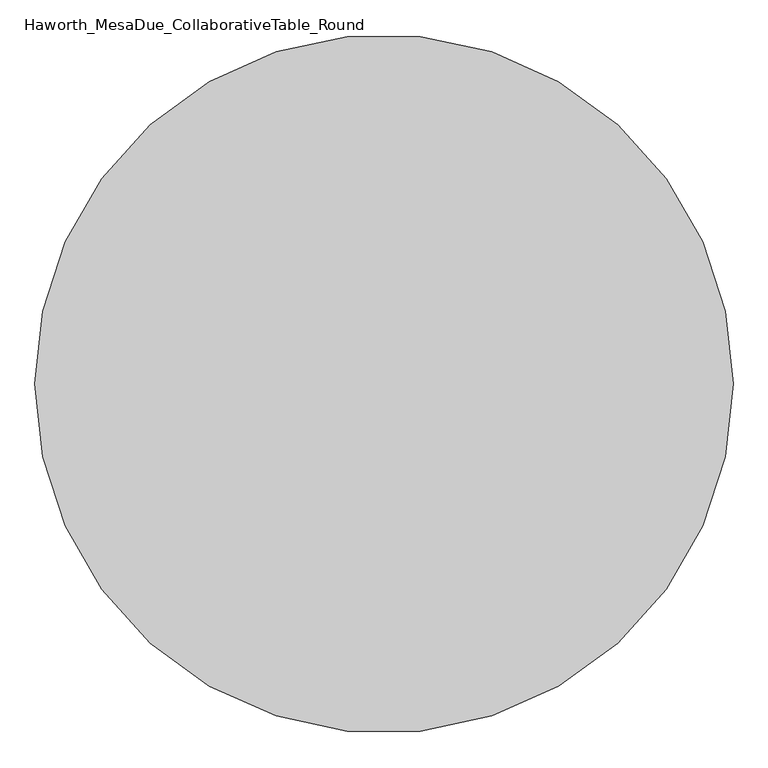
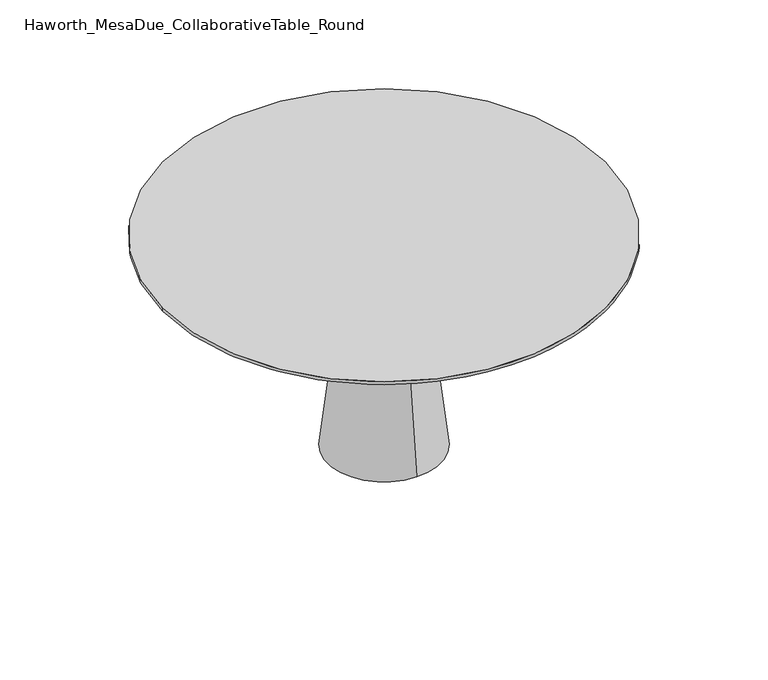
"""IFC4 building model written with IfcOpenShell, lengths in millimetres: furniture geometry, Haworth_MesaDue_CollaborativeTable_Round."""

from ifc_helpers import new_model, si_unit, point, frame, frame_2d, origin, place, context, project, spatial, polyline, circle_curve, trimmed, segment, composite_curve, outline, extrude, source, transform, mapped, element, save
from ifc_brep_helpers import plane_surface, cylinder_surface, revolved_surface, advanced_brep


def haworth_mesadue_collaborativetable_round_caa0e39f(model_context):
    return source(origin(), model_context, "Body", "SolidModel", [
        extrude(outline(composite_curve([segment(polyline([(-271.058137, 225.7246829), (-134.902877, 132.3450536)]), True, "CONTINUOUS"), segment(trimmed(circle_curve(frame_2d((31.9985507, 375.7012058)), 295.0903309), [point((-134.902877, 132.3450536))], [point((159.3004468, 109.4822534))], True, "CARTESIAN"), True, "CONTINUOUS"), segment(polyline([(159.3004468, 109.4822534), (304.3691364, 178.8519173)]), True, "CONTINUOUS"), segment(trimmed(circle_curve(frame_2d((316.0449699, 145.7225177)), 35.1266595), [point((304.3691364, 178.8519173))], [point((334.5024092, 115.8359799))], False, "CARTESIAN"), True, "CONTINUOUS"), segment(polyline([(334.5024092, 115.8359799), (183.3886311, 61.154492)]), True, "CONTINUOUS"), segment(trimmed(circle_curve(frame_2d((311.6854551, -195.3371747)), 286.7892085), [point((183.3886311, 61.154492))], [point((32.7243566, -128.788278))], True, "CARTESIAN"), True, "CONTINUOUS"), segment(polyline([(32.7243566, -128.788278), (14.7777346, -359.7291864)]), True, "CONTINUOUS"), segment(trimmed(circle_curve(frame_2d((-24.0397356, -352.8713492)), 39.4185987), [point((14.7777346, -359.7291864))], [point((-63.4465739, -353.8341677))], False, "CARTESIAN"), True, "CONTINUOUS"), segment(polyline([(-63.4465739, -353.8341677), (-50.6527711, -189.0467564)]), True, "CONTINUOUS"), segment(trimmed(circle_curve(frame_2d((-344.920142, -166.1789791)), 295.1545711), [point((-50.6527711, -189.0467564))], [point((-174.4096432, 74.7409051))], True, "CARTESIAN"), True, "CONTINUOUS"), segment(polyline([(-174.4096432, 74.7409051), (-310.5649032, 168.1205344)]), True, "CONTINUOUS"), segment(trimmed(circle_curve(frame_2d((-287.7119183, 194.7968026)), 35.1266595), [point((-310.5649032, 168.1205344))], [point((-271.058137, 225.7246829))], False, "CARTESIAN"), True, "CONTINUOUS")], self_intersect=False)), frame((0.0, 0.0, 698.5), z_axis=(0.0, 0.0, 1.0), x_axis=(1.0, 0.0, 0.0)), (0.0, 0.0, 1.0), 19.05),
        advanced_brep(
        [(-103.785033, -4.0299408, 566.7753624), (103.785033, -4.0299408, 566.7753624), (104.9851009, -4.0299408, 565.7683859), (-104.9851009, -4.0299408, 565.7683859), (-70.0022257, -4.0299408, 566.7753624), (70.0022257, -4.0299408, 566.7753624), (-70.0022257, -4.0299408, 698.5), (70.0022257, -4.0299408, 698.5), (0.0, -4.0299408, 698.5), (-104.9851009, -4.0299408, 552.0171809), (104.9851009, -4.0299408, 552.0171809), (0.0, -4.0299408, 552.0171809)],
        [
            (0, 1, circle_curve(frame((0.0, -4.0299408, 566.7753624), z_axis=(0.0, 0.0, -1.0), x_axis=(1.0, 0.0, 0.0)), 103.785033)),
            (1, 2),
            (2, 3, circle_curve(frame((0.0, -4.0299408, 565.7683859), z_axis=(0.0, 0.0, 1.0), x_axis=(1.0, 0.0, 0.0)), 104.9851009)),
            (3, 0),
            (1, 0, circle_curve(frame((0.0, -4.0299408, 566.7753624), z_axis=(0.0, 0.0, -1.0), x_axis=(1.0, 0.0, 0.0)), 103.785033)),
            (3, 2, circle_curve(frame((0.0, -4.0299408, 565.7683859), z_axis=(0.0, 0.0, 1.0), x_axis=(1.0, 0.0, 0.0)), 104.9851009)),
            (4, 5, circle_curve(frame((0.0, -4.0299408, 566.7753624), z_axis=(0.0, 0.0, -1.0), x_axis=(1.0, 0.0, 0.0)), 70.0022257)),
            (5, 1),
            (0, 4),
            (5, 4, circle_curve(frame((0.0, -4.0299408, 566.7753624), z_axis=(0.0, 0.0, -1.0), x_axis=(1.0, 0.0, 0.0)), 70.0022257)),
            (6, 7, circle_curve(frame((0.0, -4.0299408, 698.5), z_axis=(0.0, 0.0, -1.0), x_axis=(1.0, 0.0, 0.0)), 70.0022257)),
            (7, 5),
            (4, 6),
            (7, 6, circle_curve(frame((0.0, -4.0299408, 698.5), z_axis=(0.0, 0.0, -1.0), x_axis=(1.0, 0.0, 0.0)), 70.0022257)),
            (8, 7),
            (6, 8),
            (9, 10, circle_curve(frame((0.0, -4.0299408, 552.0171809), z_axis=(0.0, 0.0, -1.0), x_axis=(1.0, 0.0, 0.0)), 104.9851009)),
            (10, 11),
            (11, 9),
            (10, 9, circle_curve(frame((0.0, -4.0299408, 552.0171809), z_axis=(0.0, 0.0, -1.0), x_axis=(1.0, 0.0, 0.0)), 104.9851009)),
            (2, 10),
            (9, 3),
        ],
        [
            revolved_surface(polyline([(104.9851009, -4.0299408, 565.7683859), (103.785033, -4.0299408, 566.7753624)]), (0.0, -4.0299408, 698.7581749), (0.0, 0.0, 1.0)),
            plane_surface(frame((0.0, -4.0299408, 566.7753624), z_axis=(0.0, 0.0, 1.0), x_axis=(1.0, 0.0, 0.0))),
            cylinder_surface(frame((0.0, -4.0299408, 698.7581749), z_axis=(0.0, 0.0, 1.0), x_axis=(1.0, 0.0, 0.0)), 70.0022257),
            plane_surface(frame((0.0, -4.0299408, 698.5), z_axis=(0.0, 0.0, 1.0), x_axis=(1.0, 0.0, 0.0))),
            plane_surface(frame((0.0, -4.0299408, 552.0171809), z_axis=(0.0, 0.0, -1.0), x_axis=(1.0, 0.0, 0.0))),
            cylinder_surface(frame((0.0, -4.0299408, 698.7581749), z_axis=(0.0, 0.0, 1.0), x_axis=(1.0, 0.0, 0.0)), 104.9851009),
        ],
        [
            (0, [[1, 2, 3, 4]]),
            (0, [[5, -4, 6, -2]]),
            (1, [[7, 8, -1, 9]]),
            (1, [[10, -9, -5, -8]]),
            (2, [[11, 12, -7, 13]]),
            (2, [[14, -13, -10, -12]]),
            (3, [[15, -11, 16]]),
            (3, [[-16, -14, -15]]),
            (4, [[17, 18, 19]]),
            (4, [[20, -19, -18]]),
            (5, [[-3, 21, -17, 22]]),
            (5, [[-6, -22, -20, -21]]),
        ],
    ),
        advanced_brep(
        [(0.0, -4.0299408, 552.0171809), (0.0, 122.5690456, 552.0171809), (0.0, -130.6289271, 552.0171809), (0.0, -195.8551875, 0.0), (0.0, 187.795306, 0.0), (0.0, -4.0299408, 0.0)],
        [
            (0, 1),
            (1, 2, circle_curve(frame((0.0, -4.0299408, 552.0171809), z_axis=(0.0, 0.0, 1.0), x_axis=(0.0, 1.0, 0.0)), 126.5989864)),
            (2, 0),
            (2, 1, circle_curve(frame((0.0, -4.0299408, 552.0171809), z_axis=(0.0, 0.0, 1.0), x_axis=(0.0, 1.0, 0.0)), 126.5989864)),
            (3, 4, circle_curve(frame((0.0, -4.0299408, 0.0), z_axis=(0.0, 0.0, -1.0), x_axis=(0.0, 1.0, 0.0)), 191.8252468)),
            (4, 5),
            (5, 3),
            (4, 3, circle_curve(frame((0.0, -4.0299408, 0.0), z_axis=(0.0, 0.0, -1.0), x_axis=(0.0, 1.0, 0.0)), 191.8252468)),
            (1, 4),
            (3, 2),
        ],
        [
            plane_surface(frame((0.0, -4.0299408, 552.0171809), z_axis=(0.0, 0.0, 1.0), x_axis=(0.0, 1.0, 0.0))),
            plane_surface(frame((0.0, -4.0299408, 0.0), z_axis=(0.0, 0.0, -1.0), x_axis=(0.0, 1.0, 0.0))),
            revolved_surface(polyline([(0.0, 187.795306, 0.0), (0.0, 122.5690456, 552.0171809)]), (0.0, -4.0299408, 602.8171809), (0.0, 0.0, 1.0)),
        ],
        [
            (0, [[1, 2, 3]]),
            (0, [[-3, 4, -1]]),
            (1, [[5, 6, 7]]),
            (1, [[8, -7, -6]]),
            (2, [[-2, 9, -5, 10]]),
            (2, [[-4, -10, -8, -9]]),
        ],
    ),
        advanced_brep(
        [(-749.3, -4.0299408, 749.3), (749.3, -4.0299408, 749.3), (714.375, -4.0299408, 717.55), (-714.375, -4.0299408, 717.55), (749.3, -4.0299408, 739.1796875), (-749.3, -4.0299408, 739.1796875)],
        [
            (0, 1, circle_curve(frame((0.0, -4.0299408, 749.3), z_axis=(0.0, 0.0, 1.0), x_axis=(1.0, 0.0, 0.0)), 749.3)),
            (1, 0, circle_curve(frame((0.0, -4.0299408, 749.3), z_axis=(0.0, 0.0, 1.0), x_axis=(1.0, 0.0, 0.0)), 749.3)),
            (2, 3, circle_curve(frame((0.0, -4.0299408, 717.55), z_axis=(0.0, -2.8091046308683154e-12, -1.0), x_axis=(1.0, 0.0, 0.0)), 714.375)),
            (3, 2, circle_curve(frame((0.0, -4.0299408, 717.55), z_axis=(0.0, -2.8091046308683154e-12, -1.0), x_axis=(-1.0, 0.0, 0.0)), 714.375)),
            (2, 4),
            (4, 5, circle_curve(frame((0.0, -4.0299408, 739.1796875), z_axis=(0.0, -2.8091046308683154e-12, -1.0), x_axis=(1.0, 0.0, 0.0)), 749.3)),
            (5, 3),
            (5, 4, circle_curve(frame((0.0, -4.0299408, 739.1796875), z_axis=(0.0, -2.8091046308683154e-12, -1.0), x_axis=(-1.0, 0.0, 0.0)), 749.3)),
            (0, 5),
            (4, 1),
        ],
        [
            plane_surface(frame((749.3, -4.0299408, 749.3), z_axis=(0.0, 0.0, 1.0), x_axis=(0.0, 1.0, 0.0))),
            plane_surface(frame((0.0, -4.0299408, 717.55), z_axis=(0.0, 0.0, -1.0), x_axis=(0.0, 1.0, 0.0))),
            revolved_surface(polyline([(714.3749999972631, -4.0299408, 717.55), (749.3, -4.0299408, 739.1796875)]), (0.0, -4.0299408, 275.1245739), (0.0, 2.8091046308683154e-12, 1.0)),
            revolved_surface(polyline([(-714.3749999972631, -4.0299408, 717.55), (-749.3, -4.0299408, 739.1796875)]), (0.0, -4.0299408, 275.1245739), (0.0, 2.8091046308683154e-12, 1.0)),
            cylinder_surface(frame((0.0, -4.0299408, 739.1796875), z_axis=(0.0, 0.0, 1.0), x_axis=(1.0, 0.0, 0.0)), 749.3),
        ],
        [
            (0, [[1, 2]]),
            (1, [[3, 4]]),
            (2, [[-3, 5, 6, 7]]),
            (3, [[-4, -7, 8, -5]]),
            (4, [[-1, 9, -6, 10]]),
            (4, [[-2, -10, -8, -9]]),
        ],
    ),
    ])


if __name__ == "__main__":
    model = new_model("IFC4")
    model_context = context("Model", 3, world=origin())
    ifc_project = project(units=[si_unit("LENGTHUNIT", "METRE", prefix="MILLI")], contexts=[model_context])
    site = spatial("IfcSite", under=ifc_project)
    building = spatial("IfcBuilding", under=site)
    placement = place(None, origin())
    haworth_mesadue_collaborativetable_round_shape = haworth_mesadue_collaborativetable_round_caa0e39f(model_context)
    element("IfcFurniture", 1, ObjectType="Haworth_MesaDue_CollaborativeTable_Round", at=placement, inside=building, context=model_context, shape_type="MappedRepresentation", body=[
        mapped(haworth_mesadue_collaborativetable_round_shape, transform((0.0, 0.0, 0.0), x_axis=(1.0, 0.0, 0.0), y_axis=(0.0, 1.0, 0.0), z_axis=(0.0, 0.0, 1.0))),
    ])
    save(model, "model.ifc")
